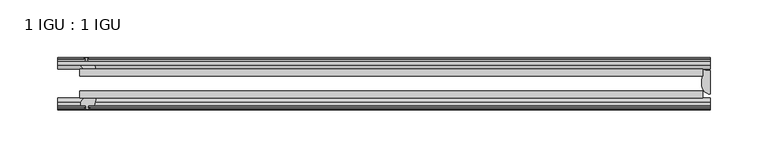
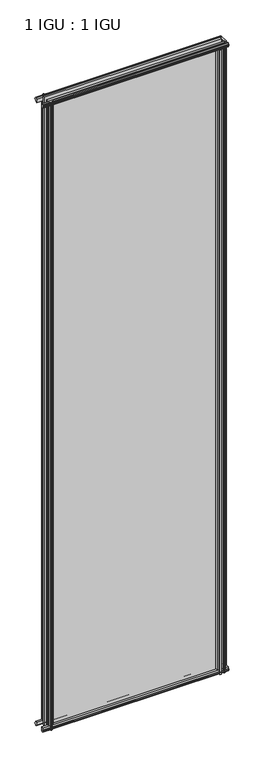
"""IFC4 building model written with IfcOpenShell, lengths in millimetres: plate geometry, 1 IGU : 1 IGU."""

from ifc_helpers import new_model, si_unit, point, frame, frame_2d, origin, place, context, project, spatial, polyline, circle_curve, ellipse_curve, trimmed, segment, composite_curve, outline, extrude, source, transform, mapped, element, save
from ifc_brep_helpers import plane_surface, cylinder_surface, revolved_surface, extruded_surface, advanced_brep


def plate_1_igu_1_igu_07a7b2f2(model_context):
    return source(origin(), model_context, "Body", "SolidModel", [
        extrude(outline(polyline([(-263.531747, -38.6468937), (276.231747, -38.6468937), (276.231747, -44.9460938), (-263.531747, -44.9460938), (-263.531747, -38.6468937)])), frame((0.0, 0.0, -12.7), z_axis=(0.0, 0.0, 1.0), x_axis=(1.0, 0.0, 0.0)), (0.0, 0.0, 1.0), 2019.2999999),
        extrude(outline(polyline([(-263.531747, -19.5460937), (276.231747, -19.5460937), (276.231747, -25.8960938), (-263.531747, -25.8960938), (-263.531747, -19.5460937)])), frame((0.0, 0.0, -12.7), z_axis=(0.0, 0.0, 1.0), x_axis=(1.0, 0.0, 0.0)), (0.0, 0.0, 1.0), 2019.2999999),
        advanced_brep(
        [(282.581747, -21.1709383, -12.4587), (282.581747, -41.5384061, -12.4587), (275.0594098, -32.2460938, -12.4587), (276.231747, -25.8452938, -12.4587), (276.231747, -19.5460938, -12.4587), (282.581747, -21.1709383, 2006.5999999), (276.231747, -19.5460938, 2006.5999999), (276.231747, -25.8452938, 2006.5999999), (275.0594098, -32.2460938, 2006.5999999), (282.581747, -41.5384061, 2006.5999999)],
        [
            (0, 1),
            (1, 2, ellipse_curve(frame((282.581747, -32.2460938, -12.4587), z_axis=(0.0, 0.0, -1.0), x_axis=(0.0, -1.0, 0.0)), 9.2923124, 7.5223371)),
            (2, 3, circle_curve(frame((293.1193233, -32.2460938, -12.4587), z_axis=(0.0, 0.0, -1.0), x_axis=(1.0, 0.0, 0.0)), 18.0599135)),
            (3, 4),
            (4, 0, circle_curve(frame((282.581747, -7.950406, -12.4587), z_axis=(0.0, 0.0, 1.0), x_axis=(1.0, 0.0, 0.0)), 13.2205323)),
            (5, 6, circle_curve(frame((282.581747, -7.950406, 2006.5999999), z_axis=(0.0, 0.0, -1.0), x_axis=(1.0, 0.0, 0.0)), 13.2205323)),
            (6, 7),
            (7, 8, circle_curve(frame((293.1193233, -32.2460938, 2006.5999999), z_axis=(0.0, 0.0, 1.0), x_axis=(1.0, 0.0, 0.0)), 18.0599135)),
            (8, 9, ellipse_curve(frame((282.581747, -32.2460938, 2006.5999999), z_axis=(0.0, 0.0, 1.0), x_axis=(0.0, -1.0, 0.0)), 9.2923124, 7.5223371)),
            (9, 5),
            (1, 9),
            (8, 2),
            (7, 3),
            (6, 4),
            (5, 0),
        ],
        [
            plane_surface(frame((282.581747, -13.1960938, -12.4587), z_axis=(0.0, 0.0, -1.0), x_axis=(0.0, 1.0, 0.0))),
            plane_surface(frame((282.581747, -13.1960938, 2006.5999999), z_axis=(0.0, 0.0, 1.0), x_axis=(0.0, 1.0, 0.0))),
            extruded_surface(trimmed(ellipse_curve(frame((282.581747, -32.2460938, 2006.5999999), z_axis=(0.0, 0.0, -1.0), x_axis=(0.0, -1.0, 0.0)), 9.2923124, 7.5223371), [point((282.581747, -41.5384061, 2006.5999999))], [point((275.0594098, -32.2460938, 2006.5999999))], True, "CARTESIAN"), (0.0, 0.0, -2019.0586999), 2019.0586999),
            cylinder_surface(frame((293.1193233, -32.2460938, -12.4587), z_axis=(0.0, 0.0, -1.0), x_axis=(1.0, 0.0, 0.0)), 18.0599135),
            plane_surface(frame((276.231747, -25.8452938, -12.4587), z_axis=(-1.0, 0.0, 0.0), x_axis=(0.0, 0.0, 1.0))),
            revolved_surface(polyline([(295.8022793, -7.950406, 2006.5999999), (295.8022793, -7.950406, -12.4587)]), (282.581747, -7.950406, -12.4587), (0.0, 0.0, 1.0)),
            plane_surface(frame((282.581747, -21.1709383, -12.4587), z_axis=(1.0, 0.0, 0.0), x_axis=(0.0, 0.0, 1.0))),
        ],
        [
            (0, [[1, 2, 3, 4, 5]]),
            (1, [[6, 7, 8, 9, 10]]),
            (2, [[-2, 11, -9, 12]]),
            (3, [[-3, -12, -8, 13]]),
            (4, [[-4, -13, -7, 14]]),
            (5, [[-5, -14, -6, 15]]),
            (6, [[-1, -15, -10, -11]]),
        ],
    ),
        extrude(outline(polyline([(-44.9460937, 1.7177181), (-44.9460937, -9.1036578), (-48.3496937, -11.938), (-51.2960937, -11.938), (-51.2960937, -7.493), (-53.6762907, -7.112), (-53.2163575, -8.5275291), (-54.0175717, -8.5275291), (-54.7250937, -6.35), (-54.0175717, -4.1724709), (-53.2163575, -4.1724709), (-53.6762907, -5.588), (-51.2960937, -5.207), (-51.2960937, 0.0), (-44.9460937, 1.7177181)])), frame((-282.581747, 0.0, 0.0), z_axis=(1.0, 0.0, 0.0), x_axis=(0.0, 1.0, 0.0)), (0.0, 0.0, 1.0), 565.1634939),
        extrude(outline(polyline([(-13.1960937, -12.4587), (-16.1424937, -12.4587), (-19.5460937, -9.6243578), (-19.5460937, 1.1970181), (-13.1960937, -0.5207), (-13.1960937, -5.7277), (-10.8158968, -6.1087), (-11.27583, -4.6931709), (-10.4746158, -4.6931709), (-9.7670937, -6.8707), (-10.4746158, -9.0482291), (-11.27583, -9.0482291), (-10.8158968, -7.6327), (-13.1960937, -8.0137), (-13.1960937, -12.4587)])), frame((-282.581747, 0.0, 0.0), z_axis=(1.0, 0.0, 0.0), x_axis=(0.0, 1.0, 0.0)), (0.0, 0.0, 1.0), 565.1634939),
        extrude(outline(polyline([(-51.2960937, 2005.8379999), (-48.3496937, 2005.8379999), (-44.9460937, 2003.0036577), (-44.9460937, 1992.1822818), (-51.2960937, 1993.8999999), (-51.2960937, 1999.1069999), (-53.6762907, 1999.4879999), (-53.2163575, 1998.0724708), (-54.0175717, 1998.0724708), (-54.7250937, 2000.2499999), (-54.0175717, 2002.4275289), (-53.2163575, 2002.4275289), (-53.6762907, 2001.0119999), (-51.2960937, 2001.3929999), (-51.2960937, 2005.8379999)])), frame((-282.581747, 0.0, 0.0), z_axis=(1.0, 0.0, 0.0), x_axis=(0.0, 1.0, 0.0)), (0.0, 0.0, 1.0), 565.1634939),
        extrude(outline(polyline([(-19.5460937, 1992.7029818), (-19.5460937, 2003.5243577), (-16.1424937, 2006.3586999), (-13.1960937, 2006.3586999), (-13.1960937, 2001.9136999), (-10.8158968, 2001.5326999), (-11.27583, 2002.9482289), (-10.4746158, 2002.9482289), (-9.7670937, 2000.7706999), (-10.4746158, 1998.5931708), (-11.27583, 1998.5931708), (-10.8158968, 2000.0086999), (-13.1960937, 1999.6276999), (-13.1960937, 1994.4206999), (-19.5460937, 1992.7029818)])), frame((-282.581747, 0.0, 0.0), z_axis=(1.0, 0.0, 0.0), x_axis=(0.0, 1.0, 0.0)), (0.0, 0.0, 1.0), 565.1634939),
        extrude(outline(composite_curve([segment(polyline([(273.0567471, -44.9460938), (273.0567471, -51.2960938), (271.4057471, -51.2960938), (271.4057471, -52.9470938), (272.4833778, -52.9470938)]), True, "CONTINUOUS"), segment(trimmed(circle_curve(frame_2d((271.4057471, -52.9470938)), 1.0776307), [point((272.4833778, -52.9470938))], [point((272.1677471, -53.7090938))], False, "CARTESIAN"), True, "CONTINUOUS"), segment(polyline([(272.1677471, -53.7090938), (270.4284547, -54.8194621)]), True, "CONTINUOUS"), segment(trimmed(circle_curve(frame_2d((269.8817471, -53.9630938)), 1.016), [point((270.4284547, -54.8194621))], [point((269.3350395, -54.8194621))], False, "CARTESIAN"), True, "CONTINUOUS"), segment(polyline([(269.3350395, -54.8194621), (267.5957471, -53.7090938)]), True, "CONTINUOUS"), segment(trimmed(circle_curve(frame_2d((268.3577471, -52.9470938)), 1.0776307), [point((267.5957471, -53.7090938))], [point((267.2801164, -52.9470938))], False, "CARTESIAN"), True, "CONTINUOUS"), segment(polyline([(267.2801164, -52.9470938), (268.3577471, -52.9470938), (268.3577471, -51.2960938), (259.2899471, -51.2960938)]), True, "CONTINUOUS"), segment(trimmed(circle_curve(frame_2d((259.2899471, -51.7532938)), 0.4572), [point((259.2899471, -51.2960938))], [point((258.9511293, -52.0602698))], True, "CARTESIAN"), True, "CONTINUOUS"), segment(trimmed(circle_curve(frame_2d((257.1817471, -53.663367)), 2.3876), [point((258.9511293, -52.0602698))], [point((259.2523901, -54.8520938))], False, "CARTESIAN"), True, "CONTINUOUS"), segment(polyline([(259.2523901, -54.8520938), (255.1111041, -54.8520938)]), True, "CONTINUOUS"), segment(trimmed(circle_curve(frame_2d((257.1817471, -53.663367)), 2.3876), [point((255.1111041, -54.8520938))], [point((255.412365, -52.0602698))], False, "CARTESIAN"), True, "CONTINUOUS"), segment(trimmed(circle_curve(frame_2d((255.0735471, -51.7532938)), 0.4572), [point((255.412365, -52.0602698))], [point((255.0735471, -51.2960938))], True, "CARTESIAN"), True, "CONTINUOUS"), segment(polyline([(255.0735471, -51.2960938), (250.8317471, -51.2960938)]), True, "CONTINUOUS"), segment(trimmed(circle_curve(frame_2d((241.8158156, -51.9750196)), 9.0414579), [point((250.8317471, -51.2960938))], [point((247.5028326, -44.9460938))], True, "CARTESIAN"), True, "CONTINUOUS"), segment(polyline([(247.5028326, -44.9460938), (273.0567471, -44.9460938)]), True, "CONTINUOUS")], self_intersect=False)), frame((0.0, 0.0, -12.7), z_axis=(0.0, 0.0, 1.0), x_axis=(1.0, 0.0, 0.0)), (0.0, 0.0, 1.0), 2006.5999999),
        extrude(outline(polyline([(-257.702447, -9.7670937), (-255.5249179, -10.4746158), (-255.5249179, -11.27583), (-256.940447, -10.8158968), (-256.559447, -13.1960937), (-251.352447, -13.1960937), (-249.6347289, -19.5460937), (-260.4561048, -19.5460937), (-263.290447, -16.1424937), (-263.290447, -13.1960937), (-258.845447, -13.1960937), (-258.464447, -10.8158968), (-259.879976, -11.27583), (-259.879976, -10.4746158), (-257.702447, -9.7670937)])), frame((0.0, 0.0, -12.7), z_axis=(0.0, 0.0, 1.0), x_axis=(1.0, 0.0, 0.0)), (0.0, 0.0, 1.0), 2019.3),
        extrude(outline(polyline([(-262.769747, -48.3496937), (-259.9354048, -44.9460937), (-249.1140289, -44.9460937), (-250.831747, -51.2960937), (-256.038747, -51.2960937), (-256.419747, -53.6762907), (-255.0042179, -53.2163575), (-255.0042179, -54.0175717), (-257.181747, -54.7250937), (-259.359276, -54.0175717), (-259.359276, -53.2163575), (-257.943747, -53.6762907), (-258.324747, -51.2960937), (-262.769747, -51.2960937), (-262.769747, -48.3496937)])), frame((0.0, 0.0, -12.7), z_axis=(0.0, 0.0, 1.0), x_axis=(1.0, 0.0, 0.0)), (0.0, 0.0, 1.0), 2019.3),
    ])


if __name__ == "__main__":
    model = new_model("IFC4")
    model_context = context("Model", 3, world=origin())
    ifc_project = project(units=[si_unit("LENGTHUNIT", "METRE", prefix="MILLI")], contexts=[model_context])
    site = spatial("IfcSite", under=ifc_project)
    building = spatial("IfcBuilding", under=site)
    placement = place(None, origin())
    plate_1_igu_1_igu_shape = plate_1_igu_1_igu_07a7b2f2(model_context)
    element("IfcPlate", 1, ObjectType="1 IGU : 1 IGU", at=placement, inside=building, context=model_context, shape_type="MappedRepresentation", body=[
        mapped(plate_1_igu_1_igu_shape, transform((0.0, 0.0, 0.0), x_axis=(1.0, 0.0, 0.0), y_axis=(0.0, 1.0, 0.0), z_axis=(0.0, 0.0, 1.0))),
    ])
    save(model, "model.ifc")
